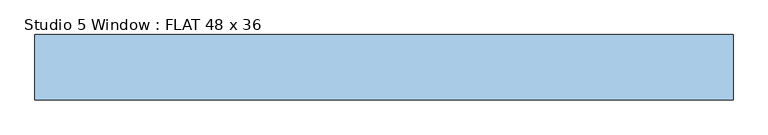
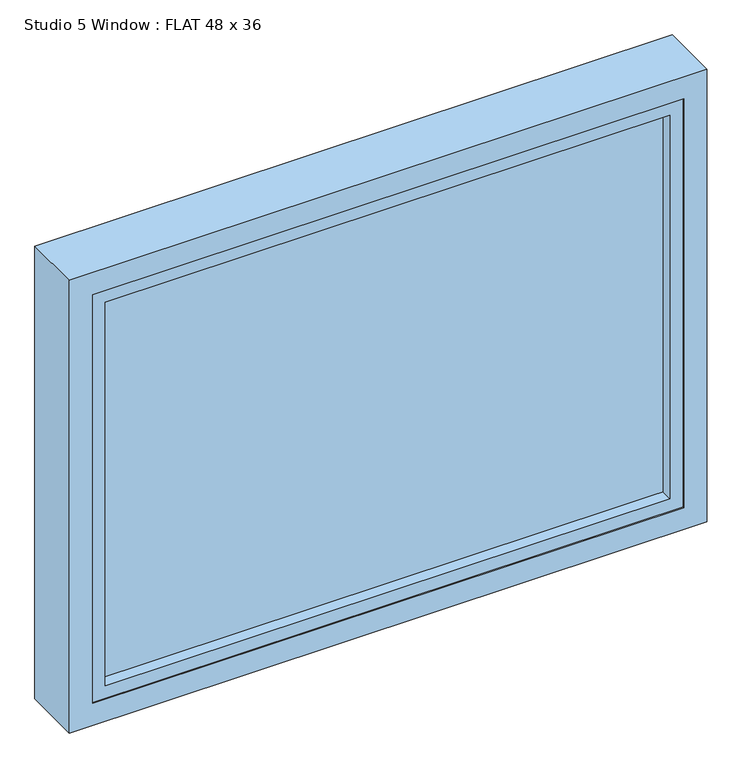
"""IFC4 building model written with IfcOpenShell, lengths in millimetres: window geometry, Studio 5 Window : FLAT 48 x 36."""

from ifc_helpers import new_model, si_unit, frame, origin, place, context, project, spatial, polyline, outline, extrude, faceted_brep, source, transform, mapped, element, save


def studio_5_window_flat_48_x_36_cf35a726(model_context):
    return source(origin(), model_context, "Body", "SolidModel", [
        faceted_brep([(-609.6, -14.3, 1714.4), (-609.6, -14.3, 800.0), (609.6, -14.3, 800.0), (609.6, -14.3, 1714.4), (-565.15, -14.3, 1669.95), (565.15, -14.3, 1669.95), (565.15, -14.3, 844.45), (-565.15, -14.3, 844.45), (-609.6, 100.0, 1714.4), (609.6, 100.0, 1714.4), (609.6, 100.0, 800.0), (-609.6, 100.0, 800.0), (-565.15, 100.0, 1669.95), (-565.15, 100.0, 844.45), (565.15, 100.0, 844.45), (565.15, 100.0, 1669.95), (-609.6, -12.5140625, 1714.4), (-609.6, 98.2140625, 1714.4), (-609.6, 98.2140625, 800.0), (-609.6, -12.5140625, 800.0), (609.6, 98.2140625, 800.0), (609.6, -12.5140625, 800.0), (609.6, 98.2140625, 1714.4), (609.6, -12.5140625, 1714.4), (-565.15, -12.5140625, 1669.95), (565.15, -12.5140625, 1669.95), (565.15, 98.2140625, 1669.95), (-565.15, 98.2140625, 1669.95), (565.15, -12.5140625, 844.45), (565.15, 98.2140625, 844.45), (-565.15, -12.5140625, 844.45), (-565.15, 98.2140625, 844.45), (-539.75, -12.5140625, 1644.55), (539.75, -12.5140625, 1644.55), (539.75, -12.5140625, 869.85), (-539.75, -12.5140625, 869.85), (-539.75, 98.2140625, 1644.55), (-539.75, 98.2140625, 869.85), (539.75, 98.2140625, 869.85), (539.75, 98.2140625, 1644.55)], [[[0, 1, 2, 3], [4, 5, 6, 7]], [[8, 9, 10, 11], [12, 13, 14, 15]], [[1, 0, 16, 17, 8, 11, 18, 19]], [[2, 1, 19, 18, 11, 10, 20, 21]], [[3, 2, 21, 20, 10, 9, 22, 23]], [[0, 3, 23, 22, 9, 8, 17, 16]], [[5, 4, 24, 25]], [[12, 15, 26, 27]], [[6, 5, 25, 28]], [[15, 14, 29, 26]], [[7, 6, 28, 30]], [[14, 13, 31, 29]], [[4, 7, 30, 24]], [[13, 12, 27, 31]], [[25, 24, 30, 28], [32, 33, 34, 35]], [[27, 26, 29, 31], [36, 37, 38, 39]], [[33, 32, 36, 39]], [[34, 33, 39, 38]], [[35, 34, 38, 37]], [[32, 35, 37, 36]]]),
        extrude(outline(polyline([(609.6, 77.3575749), (609.6, 68.9619364), (-609.6, 68.9619364), (-609.6, 77.3575749), (609.6, 77.3575749)])), frame((0.0, 0.0, 863.5), z_axis=(0.0, 0.0, 1.0), x_axis=(1.0, 0.0, 0.0)), (0.0, 0.0, 1.0), 787.428847),
        extrude(outline(polyline([(609.6, 16.6833866), (609.6, 10.2038889), (-609.6, 10.2038889), (-609.6, 16.6833866), (609.6, 16.6833866)])), frame((0.0, 0.0, 863.5), z_axis=(0.0, 0.0, 1.0), x_axis=(1.0, 0.0, 0.0)), (0.0, 0.0, 1.0), 787.428847),
    ])


if __name__ == "__main__":
    model = new_model("IFC4")
    model_context = context("Model", 3, world=origin())
    ifc_project = project(units=[si_unit("LENGTHUNIT", "METRE", prefix="MILLI")], contexts=[model_context])
    site = spatial("IfcSite", under=ifc_project)
    building = spatial("IfcBuilding", under=site)
    placement = place(None, origin())
    studio_5_window_flat_48_x_36_shape = studio_5_window_flat_48_x_36_cf35a726(model_context)
    element("IfcWindow", 1, ObjectType="Studio 5 Window : FLAT 48 x 36", at=placement, inside=building, context=model_context, shape_type="MappedRepresentation", body=[
        mapped(studio_5_window_flat_48_x_36_shape, transform((0.0, 0.0, 0.0), x_axis=(1.0, 0.0, 0.0), y_axis=(0.0, 1.0, 0.0), z_axis=(0.0, 0.0, 1.0))),
    ])
    save(model, "model.ifc")
